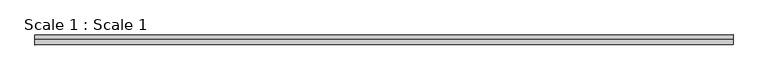
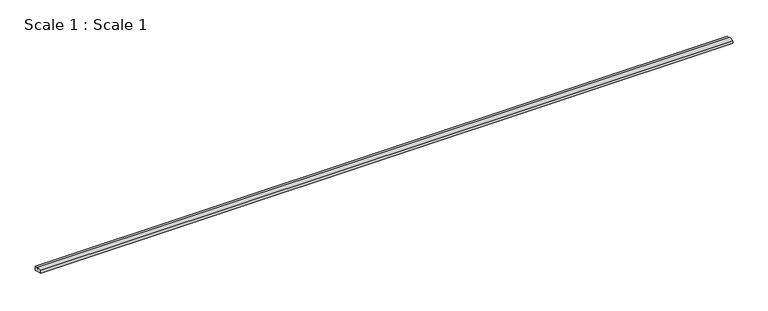
"""IFC4 building model written with IfcOpenShell, lengths in millimetres: stair geometry, Scale 1 : Scale 1."""

import ifcopenshell
import ifcopenshell.guid

model = None  # the IFC model being written
_history = None  # IfcOwnerHistory: only IFC2X3 demands one
_inside = {}  # id of a spatial element -> (the spatial element, [elements in it])
_under = {}  # id of a project, library or spatial element -> (it, [spatial elements below it])
_declared = {}  # id of a project -> (the project, [libraries it declares])
_typed = {}  # id of a type object -> (the type object, [elements of that type])
_made_of = {}  # id of a material, layer set ... -> (it, [elements and type objects made of it])


def new_model(schema):
    """Start an empty IFC model of exactly this schema.

    Asked for "IFC4X3", IfcOpenShell would pick the latest addendum, in which some entities
    have other attributes; the version numbers below select the first issue.
    IFC2X3 requires an IfcOwnerHistory on every rooted entity: one is made here for all.
    """
    global model, _history
    if schema == "IFC4X3":
        model = ifcopenshell.file(schema_version=(4, 3, 0, 0))
    else:
        model = ifcopenshell.file(schema=schema)
    _inside.clear()
    _under.clear()
    _declared.clear()
    _typed.clear()
    _made_of.clear()
    _history = None
    if model.schema == "IFC2X3":
        org = make("IfcOrganization", Name="unknown")
        user = make(
            "IfcPersonAndOrganization",
            ThePerson=make("IfcPerson", FamilyName="unknown"),
            TheOrganization=org,
        )
        app = make(
            "IfcApplication",
            ApplicationDeveloper=org,
            Version="unknown",
            ApplicationFullName="unknown",
            ApplicationIdentifier="unknown",
        )
        _history = make(
            "IfcOwnerHistory",
            OwningUser=user,
            OwningApplication=app,
            ChangeAction="ADDED",
            CreationDate=0,
        )
    return model


def make(cls, **values):
    """One entity of the class cls with the attributes given. An attribute that is None is left unset."""
    return model.create_entity(
        cls, **{name: value for name, value in values.items() if value is not None}
    )


def rooted(cls, **values):
    """An entity with a GlobalId (a new one), such as an element, a storey or a relation."""
    return make(cls, GlobalId=ifcopenshell.guid.new(), OwnerHistory=_history, **values)


def si_unit(unit_type, name, prefix=None):
    """IfcSIUnit, for example si_unit("LENGTHUNIT", "METRE", prefix="MILLI")."""
    return make("IfcSIUnit", UnitType=unit_type, Prefix=prefix, Name=name)


def assignment(units):
    """IfcUnitAssignment: the units of a project."""
    return None if units is None else make("IfcUnitAssignment", Units=units)


def point(xyz):
    """IfcCartesianPoint."""
    return None if xyz is None else make("IfcCartesianPoint", Coordinates=xyz)


def direction(xyz):
    """IfcDirection."""
    return None if xyz is None else make("IfcDirection", DirectionRatios=xyz)


def frame(location, z_axis=None, x_axis=None):
    """IfcAxis2Placement3D, a coordinate frame: its origin and axes. An axis left out is left unset."""
    return make(
        "IfcAxis2Placement3D",
        Location=point(location),
        Axis=direction(z_axis),
        RefDirection=direction(x_axis),
    )


def origin():
    """The frame at (0, 0, 0) with its axes left unset."""
    return frame((0.0, 0.0, 0.0))


def place(relative_to, where):
    """IfcLocalPlacement: puts the frame where relative to a parent placement (None: the world)."""
    return make(
        "IfcLocalPlacement", PlacementRelTo=relative_to, RelativePlacement=where
    )


def context(
    kind, dimensions, precision=None, world=None, true_north=None, identifier=None
):
    """IfcGeometricRepresentationContext, for example the 3D "Model" context."""
    return make(
        "IfcGeometricRepresentationContext",
        ContextIdentifier=identifier,
        ContextType=kind,
        CoordinateSpaceDimension=dimensions,
        Precision=precision,
        WorldCoordinateSystem=world,
        TrueNorth=true_north,
    )


def project(units=None, contexts=None):
    """IfcProject with its units and contexts."""
    return rooted(
        "IfcProject",
        Name="project",
        RepresentationContexts=contexts,
        UnitsInContext=assignment(units),
    )


def spatial(cls, under=None, at=None, **own):
    """A site, building, storey or space (cls), placed at a placement, below another one or the project."""
    s = rooted(cls, ObjectPlacement=at, **own)
    if under is not None:
        _under.setdefault(under.id(), (under, []))[1].append(s)
    return s


def faces_of(points, faces, orient=None, outer=None):
    """IfcFace entities. A face is a list of loops; a loop is a list of indices into points, from 0.

    orient and outer hold one flag for each loop. By default every Orientation is true, the
    first loop of a face is its IfcFaceOuterBound and the others are IfcFaceBound.
    """
    made = []
    for i, loops in enumerate(faces):
        bounds = []
        for j, loop in enumerate(loops):
            is_outer = j == 0 if outer is None else outer[i][j]
            bounds.append(
                make(
                    "IfcFaceOuterBound" if is_outer else "IfcFaceBound",
                    Bound=make("IfcPolyLoop", Polygon=[points[k] for k in loop]),
                    Orientation=True if orient is None else orient[i][j],
                )
            )
        made.append(make("IfcFace", Bounds=bounds))
    return made


def faceted_brep(points, faces, orient=None, outer=None, voids=None):
    """IfcFacetedBrep: a solid bounded by flat faces; with voids (closed shells), ...WithVoids."""
    shared = [point(p) for p in points]
    hull = make("IfcClosedShell", CfsFaces=faces_of(shared, faces, orient, outer))
    if voids is None:
        return make("IfcFacetedBrep", Outer=hull)
    return make(
        "IfcFacetedBrepWithVoids",
        Outer=hull,
        Voids=[
            make(cls, CfsFaces=faces_of(shared, fs, o, b)) for cls, fs, o, b in voids
        ],
    )


def shape(context_of_items, identifier, shape_type, items):
    """IfcShapeRepresentation: the items that make up one representation, for example the "Body"."""
    return make(
        "IfcShapeRepresentation",
        ContextOfItems=context_of_items,
        RepresentationIdentifier=identifier,
        RepresentationType=shape_type,
        Items=items,
    )


def source(mapping_origin, context_of_items, identifier, shape_type, items):
    """IfcRepresentationMap: a shape defined once, which mapped items show again and again."""
    return make(
        "IfcRepresentationMap",
        MappingOrigin=mapping_origin,
        MappedRepresentation=shape(context_of_items, identifier, shape_type, items),
    )


def transform(
    local_origin,
    x_axis=None,
    y_axis=None,
    z_axis=None,
    scale=None,
    scale2=None,
    scale3=None,
    uniform=True,
):
    """IfcCartesianTransformationOperator3D, or its non-uniform kind. x_axis, y_axis, z_axis: its Axis1, 2, 3."""
    if uniform:
        return make(
            "IfcCartesianTransformationOperator3D",
            Axis1=direction(x_axis),
            Axis2=direction(y_axis),
            LocalOrigin=point(local_origin),
            Scale=scale,
            Axis3=direction(z_axis),
        )
    return make(
        "IfcCartesianTransformationOperator3DnonUniform",
        Axis1=direction(x_axis),
        Axis2=direction(y_axis),
        LocalOrigin=point(local_origin),
        Scale=scale,
        Axis3=direction(z_axis),
        Scale2=scale2,
        Scale3=scale3,
    )


def mapped(mapping_source, mapping_target):
    """IfcMappedItem: shows the shape of a source again, moved by a transform."""
    return make(
        "IfcMappedItem", MappingSource=mapping_source, MappingTarget=mapping_target
    )


def made_of(thing, what):
    """Note that an element or type object is made of a material, layer set ...; save() writes the relation."""
    if what is not None:
        _made_of.setdefault(what.id(), (what, []))[1].append(thing)
    return thing


def element(
    cls,
    number,
    at=None,
    inside=None,
    cuts=None,
    type_object=None,
    material=None,
    context=None,
    identifier="Body",
    shape_type=None,
    held_by="IfcProductDefinitionShape",
    body=None,
    shapes=None,
    **own,
):
    """One element of the class cls, such as IfcWall. Its Tag is "e" and its number.

    at: its placement. inside: the storey or other place that contains it. cuts: it is an
    opening in that element (IfcRelVoidsElement). A single representation is given by context,
    identifier, shape_type and body (its items); several are given by shapes. held_by: the class
    of the entity that holds the representations. save() writes the other relations.
    """
    e = rooted(cls, Tag="e%d" % number, ObjectPlacement=at, **own)
    if body is not None:
        shapes = [shape(context, identifier, shape_type, body)]
    if shapes is not None:
        e.Representation = make(held_by, Representations=shapes)
    if inside is not None:
        _inside.setdefault(inside.id(), (inside, []))[1].append(e)
    if cuts is not None:
        rooted(
            "IfcRelVoidsElement", RelatingBuildingElement=cuts, RelatedOpeningElement=e
        )
    if type_object is not None:
        _typed.setdefault(type_object.id(), (type_object, []))[1].append(e)
    return made_of(e, material)


def aggregate(whole, parts):
    """IfcRelAggregates: a whole, such as a stair, and the parts it consists of."""
    return rooted("IfcRelAggregates", RelatingObject=whole, RelatedObjects=parts)


def save(model, path):
    """Write the relations noted so far, then the file.

    IfcRelAggregates (storeys below a building ...), IfcRelContainedInSpatialStructure (elements
    in a storey), IfcRelDefinesByType, IfcRelAssociatesMaterial and IfcRelDeclares: one each for
    every whole, place, type object, material and project.
    """
    for whole, parts in _under.values():
        aggregate(whole, parts)
    for where, things in _inside.values():
        rooted(
            "IfcRelContainedInSpatialStructure",
            RelatedElements=things,
            RelatingStructure=where,
        )
    for kind, things in _typed.values():
        rooted("IfcRelDefinesByType", RelatedObjects=things, RelatingType=kind)
    for what, things in _made_of.values():
        rooted("IfcRelAssociatesMaterial", RelatedObjects=things, RelatingMaterial=what)
    for by, libraries in _declared.values():
        rooted("IfcRelDeclares", RelatingContext=by, RelatedDefinitions=libraries)
    model.write(path)


def scale_1_scale_1_0b1186e7(model_context):
    return source(origin(), model_context, "Body", "Brep", [
        faceted_brep([(-68962.977059, 104109.0775635, -2759.6714879), (-68962.977059, 104109.0775635, -3135.9729552), (-68962.977059, 103225.5898704, -2879.3105161), (-68962.977059, 103225.5898704, -2605.7420878), (-68962.977059, 103706.5938803, -2605.7420878), (-68962.977059, 103706.5938803, -2759.6714879), (-7046.7548603, 104156.2860711, -2729.3425259), (-7046.7548603, 103758.8023879, -2729.3425259), (-7046.7548603, 103758.8023879, -2590.4131259), (-7046.7548603, 103277.798378, -2590.4131259), (-7046.7548603, 103277.798378, -2863.9815542), (-7046.7548603, 104156.2860711, -3119.1914409)], [[[0, 1, 2, 3, 4, 5]], [[6, 7, 8, 9, 10, 11]], [[6, 11, 1, 0]], [[11, 10, 2, 1]], [[10, 9, 3, 2]], [[9, 8, 4, 3]], [[8, 7, 5, 4]], [[7, 6, 0, 5]]]),
    ])


if __name__ == "__main__":
    model = new_model("IFC4")
    model_context = context("Model", 3, world=origin())
    ifc_project = project(units=[si_unit("LENGTHUNIT", "METRE", prefix="MILLI")], contexts=[model_context])
    site = spatial("IfcSite", under=ifc_project)
    building = spatial("IfcBuilding", under=site)
    placement = place(None, origin())
    scale_1_scale_1_shape = scale_1_scale_1_0b1186e7(model_context)
    element("IfcStair", 1, ObjectType="Scale 1 : Scale 1", at=placement, inside=building, context=model_context, shape_type="MappedRepresentation", body=[
        mapped(scale_1_scale_1_shape, transform((0.0, 0.0, 0.0), x_axis=(1.0, 0.0, 0.0), y_axis=(0.0, 1.0, 0.0), z_axis=(0.0, 0.0, 1.0))),
    ])
    save(model, "model.ifc")
